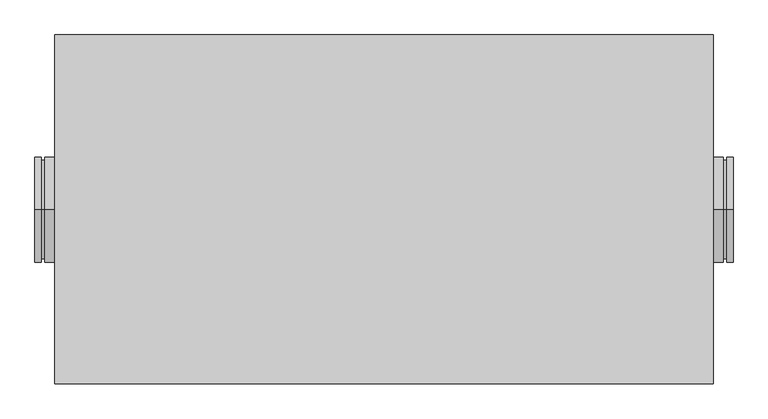
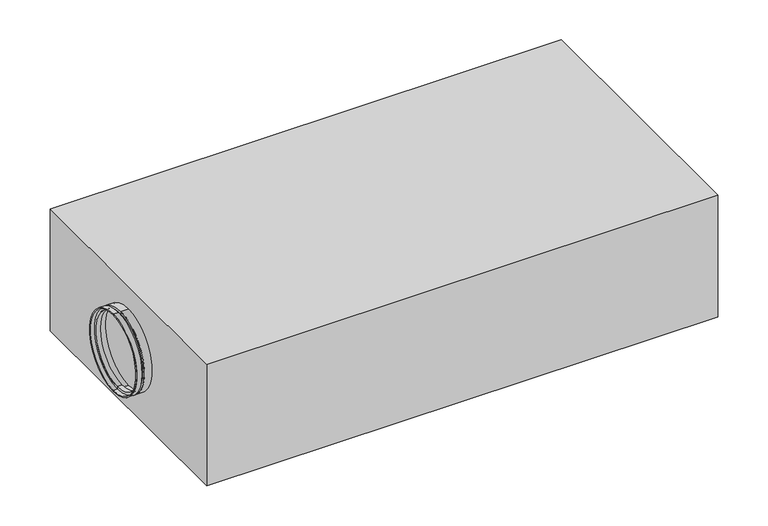
"""IFC4 building model written with IfcOpenShell, lengths in millimetres: proxy geometry."""

from ifc_helpers import new_model, si_unit, frame, origin, origin_with_axes, place, context, project, spatial, polyline, circle_curve, outline, extrude, source, transform, mapped, element, save
from ifc_brep_helpers import plane_surface, cylinder_surface, revolved_surface, advanced_brep


def mechanical_equipment_70ed29d5(model_context):
    return source(origin(), model_context, "Body", "SolidModel", [
        advanced_brep(
        [(-530.0, 0.0, 48.0), (-530.0, 0.0, 204.0), (-530.0, 0.0, 206.0), (-530.0, 0.0, 46.0), (-500.0, 0.0, 46.0), (-500.0, 0.0, 206.0), (-500.0, 0.0, 204.0), (-500.0, 0.0, 48.0), (-515.0, 0.0, 46.0), (-515.0, 0.0, 206.0), (-515.0, 0.0, 51.0), (-515.0, 0.0, 201.0), (-520.0, 0.0, 51.0), (-520.0, 0.0, 201.0), (-520.0, 0.0, 46.0), (-520.0, 0.0, 206.0), (-522.0, 0.0, 48.0), (-522.0, 0.0, 204.0), (-522.0, 0.0, 53.0), (-522.0, 0.0, 199.0), (-513.0, 0.0, 53.0), (-513.0, 0.0, 199.0), (-513.0, 0.0, 48.0), (-513.0, 0.0, 204.0)],
        [
            (0, 1, circle_curve(frame((-530.0, 0.0, 126.0), z_axis=(1.0, 0.0, 0.0), x_axis=(0.0, 0.0, 1.0)), 78.0)),
            (1, 2),
            (2, 3, circle_curve(frame((-530.0, 0.0, 126.0), z_axis=(-1.0, 0.0, 0.0), x_axis=(0.0, 0.0, 1.0)), 80.0)),
            (3, 0),
            (1, 0, circle_curve(frame((-530.0, 0.0, 126.0), z_axis=(1.0, 0.0, 0.0), x_axis=(0.0, 0.0, 1.0)), 78.0)),
            (3, 2, circle_curve(frame((-530.0, 0.0, 126.0), z_axis=(-1.0, 0.0, 0.0), x_axis=(0.0, 0.0, 1.0)), 80.0)),
            (4, 5, circle_curve(frame((-500.0, 0.0, 126.0), z_axis=(1.0, 0.0, 0.0), x_axis=(0.0, 0.0, 1.0)), 80.0)),
            (5, 6),
            (6, 7, circle_curve(frame((-500.0, 0.0, 126.0), z_axis=(-1.0, 0.0, 0.0), x_axis=(0.0, 0.0, 1.0)), 78.0)),
            (7, 4),
            (5, 4, circle_curve(frame((-500.0, 0.0, 126.0), z_axis=(1.0, 0.0, 0.0), x_axis=(0.0, 0.0, 1.0)), 80.0)),
            (7, 6, circle_curve(frame((-500.0, 0.0, 126.0), z_axis=(-1.0, 0.0, 0.0), x_axis=(0.0, 0.0, 1.0)), 78.0)),
            (8, 9, circle_curve(frame((-515.0, 0.0, 126.0), z_axis=(1.0, 0.0, 0.0), x_axis=(0.0, 0.0, 1.0)), 80.0)),
            (9, 5),
            (4, 8),
            (9, 8, circle_curve(frame((-515.0, 0.0, 126.0), z_axis=(1.0, 0.0, 0.0), x_axis=(0.0, 0.0, 1.0)), 80.0)),
            (10, 11, circle_curve(frame((-515.0, 0.0, 126.0), z_axis=(1.0, 0.0, 0.0), x_axis=(0.0, 0.0, 1.0)), 75.0)),
            (11, 9),
            (8, 10),
            (11, 10, circle_curve(frame((-515.0, 0.0, 126.0), z_axis=(1.0, 0.0, 0.0), x_axis=(0.0, 0.0, 1.0)), 75.0)),
            (12, 13, circle_curve(frame((-520.0, 0.0, 126.0), z_axis=(1.0, 0.0, 0.0), x_axis=(0.0, 0.0, 1.0)), 75.0)),
            (13, 11),
            (10, 12),
            (13, 12, circle_curve(frame((-520.0, 0.0, 126.0), z_axis=(1.0, 0.0, 0.0), x_axis=(0.0, 0.0, 1.0)), 75.0)),
            (14, 15, circle_curve(frame((-520.0, 0.0, 126.0), z_axis=(1.0, 0.0, 0.0), x_axis=(0.0, 0.0, 1.0)), 80.0)),
            (15, 13),
            (12, 14),
            (15, 14, circle_curve(frame((-520.0, 0.0, 126.0), z_axis=(1.0, 0.0, 0.0), x_axis=(0.0, 0.0, 1.0)), 80.0)),
            (2, 15),
            (14, 3),
            (16, 17, circle_curve(frame((-522.0, 0.0, 126.0), z_axis=(1.0, 0.0, 0.0), x_axis=(0.0, 0.0, 1.0)), 78.0)),
            (17, 1),
            (0, 16),
            (17, 16, circle_curve(frame((-522.0, 0.0, 126.0), z_axis=(1.0, 0.0, 0.0), x_axis=(0.0, 0.0, 1.0)), 78.0)),
            (18, 19, circle_curve(frame((-522.0, 0.0, 126.0), z_axis=(1.0, 0.0, 0.0), x_axis=(0.0, 0.0, 1.0)), 73.0)),
            (19, 17),
            (16, 18),
            (19, 18, circle_curve(frame((-522.0, 0.0, 126.0), z_axis=(1.0, 0.0, 0.0), x_axis=(0.0, 0.0, 1.0)), 73.0)),
            (20, 21, circle_curve(frame((-513.0, 0.0, 126.0), z_axis=(1.0, 0.0, 0.0), x_axis=(0.0, 0.0, 1.0)), 73.0)),
            (21, 19),
            (18, 20),
            (21, 20, circle_curve(frame((-513.0, 0.0, 126.0), z_axis=(1.0, 0.0, 0.0), x_axis=(0.0, 0.0, 1.0)), 73.0)),
            (22, 23, circle_curve(frame((-513.0, 0.0, 126.0), z_axis=(1.0, 0.0, 0.0), x_axis=(0.0, 0.0, 1.0)), 78.0)),
            (23, 21),
            (20, 22),
            (23, 22, circle_curve(frame((-513.0, 0.0, 126.0), z_axis=(1.0, 0.0, 0.0), x_axis=(0.0, 0.0, 1.0)), 78.0)),
            (6, 23),
            (22, 7),
        ],
        [
            plane_surface(frame((-530.0, 0.0, 126.0), z_axis=(-1.0, 0.0, 0.0), x_axis=(0.0, 0.0, 1.0))),
            plane_surface(frame((-500.0, 0.0, 126.0), z_axis=(1.0, 0.0, 0.0), x_axis=(0.0, 0.0, 1.0))),
            cylinder_surface(frame((-1264.5786453, 0.0, 126.0), z_axis=(-1.0, 0.0, 0.0), x_axis=(0.0, 0.0, 1.0)), 80.0),
            plane_surface(frame((-515.0, 0.0, 126.0), z_axis=(-1.0, 0.0, 0.0), x_axis=(0.0, 0.0, 1.0))),
            cylinder_surface(frame((-1264.5786453, 0.0, 126.0), z_axis=(-1.0, 0.0, 0.0), x_axis=(0.0, 0.0, 1.0)), 75.0),
            plane_surface(frame((-520.0, 0.0, 126.0), z_axis=(1.0, 0.0, 0.0), x_axis=(0.0, 0.0, 1.0))),
            revolved_surface(polyline([(-530.0, 0.0, 204.0), (-522.0, 0.0, 204.0)]), (-1264.5786453, 0.0, 126.0), (-1.0, 0.0, 0.0)),
            plane_surface(frame((-522.0, 0.0, 126.0), z_axis=(-1.0, 0.0, 0.0), x_axis=(0.0, 0.0, 1.0))),
            revolved_surface(polyline([(-522.0, 0.0, 199.0), (-513.0, 0.0, 199.0)]), (-1264.5786453, 0.0, 126.0), (-1.0, 0.0, 0.0)),
            plane_surface(frame((-513.0, 0.0, 126.0), z_axis=(1.0, 0.0, 0.0), x_axis=(0.0, 0.0, 1.0))),
            revolved_surface(polyline([(-513.0, 0.0, 204.0), (-500.0, 0.0, 204.0)]), (-1264.5786453, 0.0, 126.0), (-1.0, 0.0, 0.0)),
        ],
        [
            (0, [[1, 2, 3, 4]]),
            (0, [[5, -4, 6, -2]]),
            (1, [[7, 8, 9, 10]]),
            (1, [[11, -10, 12, -8]]),
            (2, [[13, 14, -7, 15]]),
            (2, [[16, -15, -11, -14]]),
            (3, [[17, 18, -13, 19]]),
            (3, [[20, -19, -16, -18]]),
            (4, [[21, 22, -17, 23]]),
            (4, [[24, -23, -20, -22]]),
            (5, [[25, 26, -21, 27]]),
            (5, [[28, -27, -24, -26]]),
            (2, [[-3, 29, -25, 30]]),
            (2, [[-6, -30, -28, -29]]),
            (6, [[31, 32, -1, 33]]),
            (6, [[34, -33, -5, -32]]),
            (7, [[35, 36, -31, 37]]),
            (7, [[38, -37, -34, -36]]),
            (8, [[39, 40, -35, 41]]),
            (8, [[42, -41, -38, -40]]),
            (9, [[43, 44, -39, 45]]),
            (9, [[46, -45, -42, -44]]),
            (10, [[-9, 47, -43, 48]]),
            (10, [[-12, -48, -46, -47]]),
        ],
    ),
        advanced_brep(
        [(520.0, 0.0, 46.0), (520.0, 0.0, 206.0), (530.0, 0.0, 206.0), (530.0, 0.0, 46.0), (520.0, 0.0, 51.0), (520.0, 0.0, 201.0), (515.0, 0.0, 51.0), (515.0, 0.0, 201.0), (515.0, 0.0, 46.0), (515.0, 0.0, 206.0), (500.0, 0.0, 46.0), (500.0, 0.0, 206.0), (500.0, 0.0, 48.0), (500.0, 0.0, 204.0), (513.0, 0.0, 48.0), (513.0, 0.0, 204.0), (513.0, 0.0, 53.0), (513.0, 0.0, 199.0), (522.0, 0.0, 53.0), (522.0, 0.0, 199.0), (522.0, 0.0, 48.0), (522.0, 0.0, 204.0), (530.0, 0.0, 48.0), (530.0, 0.0, 204.0)],
        [
            (0, 1, circle_curve(frame((520.0, 0.0, 126.0), z_axis=(1.0, 0.0, 0.0), x_axis=(0.0, 0.0, 1.0)), 80.0)),
            (1, 2),
            (2, 3, circle_curve(frame((530.0, 0.0, 126.0), z_axis=(-1.0, 0.0, 0.0), x_axis=(0.0, 0.0, 1.0)), 80.0)),
            (3, 0),
            (1, 0, circle_curve(frame((520.0, 0.0, 126.0), z_axis=(1.0, 0.0, 0.0), x_axis=(0.0, 0.0, 1.0)), 80.0)),
            (3, 2, circle_curve(frame((530.0, 0.0, 126.0), z_axis=(-1.0, 0.0, 0.0), x_axis=(0.0, 0.0, 1.0)), 80.0)),
            (4, 5, circle_curve(frame((520.0, 0.0, 126.0), z_axis=(1.0, 0.0, 0.0), x_axis=(0.0, 0.0, 1.0)), 75.0)),
            (5, 1),
            (0, 4),
            (5, 4, circle_curve(frame((520.0, 0.0, 126.0), z_axis=(1.0, 0.0, 0.0), x_axis=(0.0, 0.0, 1.0)), 75.0)),
            (6, 7, circle_curve(frame((515.0, 0.0, 126.0), z_axis=(1.0, 0.0, 0.0), x_axis=(0.0, 0.0, 1.0)), 75.0)),
            (7, 5),
            (4, 6),
            (7, 6, circle_curve(frame((515.0, 0.0, 126.0), z_axis=(1.0, 0.0, 0.0), x_axis=(0.0, 0.0, 1.0)), 75.0)),
            (8, 9, circle_curve(frame((515.0, 0.0, 126.0), z_axis=(1.0, 0.0, 0.0), x_axis=(0.0, 0.0, 1.0)), 80.0)),
            (9, 7),
            (6, 8),
            (9, 8, circle_curve(frame((515.0, 0.0, 126.0), z_axis=(1.0, 0.0, 0.0), x_axis=(0.0, 0.0, 1.0)), 80.0)),
            (10, 11, circle_curve(frame((500.0, 0.0, 126.0), z_axis=(1.0, 0.0, 0.0), x_axis=(0.0, 0.0, 1.0)), 80.0)),
            (11, 9),
            (8, 10),
            (11, 10, circle_curve(frame((500.0, 0.0, 126.0), z_axis=(1.0, 0.0, 0.0), x_axis=(0.0, 0.0, 1.0)), 80.0)),
            (12, 13, circle_curve(frame((500.0, 0.0, 126.0), z_axis=(1.0, 0.0, 0.0), x_axis=(0.0, 0.0, 1.0)), 78.0)),
            (13, 11),
            (10, 12),
            (13, 12, circle_curve(frame((500.0, 0.0, 126.0), z_axis=(1.0, 0.0, 0.0), x_axis=(0.0, 0.0, 1.0)), 78.0)),
            (14, 15, circle_curve(frame((513.0, 0.0, 126.0), z_axis=(1.0, 0.0, 0.0), x_axis=(0.0, 0.0, 1.0)), 78.0)),
            (15, 13),
            (12, 14),
            (15, 14, circle_curve(frame((513.0, 0.0, 126.0), z_axis=(1.0, 0.0, 0.0), x_axis=(0.0, 0.0, 1.0)), 78.0)),
            (16, 17, circle_curve(frame((513.0, 0.0, 126.0), z_axis=(1.0, 0.0, 0.0), x_axis=(0.0, 0.0, 1.0)), 73.0)),
            (17, 15),
            (14, 16),
            (17, 16, circle_curve(frame((513.0, 0.0, 126.0), z_axis=(1.0, 0.0, 0.0), x_axis=(0.0, 0.0, 1.0)), 73.0)),
            (18, 19, circle_curve(frame((522.0, 0.0, 126.0), z_axis=(1.0, 0.0, 0.0), x_axis=(0.0, 0.0, 1.0)), 73.0)),
            (19, 17),
            (16, 18),
            (19, 18, circle_curve(frame((522.0, 0.0, 126.0), z_axis=(1.0, 0.0, 0.0), x_axis=(0.0, 0.0, 1.0)), 73.0)),
            (20, 21, circle_curve(frame((522.0, 0.0, 126.0), z_axis=(1.0, 0.0, 0.0), x_axis=(0.0, 0.0, 1.0)), 78.0)),
            (21, 19),
            (18, 20),
            (21, 20, circle_curve(frame((522.0, 0.0, 126.0), z_axis=(1.0, 0.0, 0.0), x_axis=(0.0, 0.0, 1.0)), 78.0)),
            (22, 23, circle_curve(frame((530.0, 0.0, 126.0), z_axis=(1.0, 0.0, 0.0), x_axis=(0.0, 0.0, 1.0)), 78.0)),
            (23, 21),
            (20, 22),
            (23, 22, circle_curve(frame((530.0, 0.0, 126.0), z_axis=(1.0, 0.0, 0.0), x_axis=(0.0, 0.0, 1.0)), 78.0)),
            (2, 23),
            (22, 3),
        ],
        [
            cylinder_surface(frame((-1264.5786453, 0.0, 126.0), z_axis=(-1.0, 0.0, 0.0), x_axis=(0.0, 0.0, 1.0)), 80.0),
            plane_surface(frame((520.0, 0.0, 126.0), z_axis=(-1.0, 0.0, 0.0), x_axis=(0.0, 0.0, 1.0))),
            cylinder_surface(frame((-1264.5786453, 0.0, 126.0), z_axis=(-1.0, 0.0, 0.0), x_axis=(0.0, 0.0, 1.0)), 75.0),
            plane_surface(frame((515.0, 0.0, 126.0), z_axis=(1.0, 0.0, 0.0), x_axis=(0.0, 0.0, 1.0))),
            plane_surface(frame((500.0, 0.0, 126.0), z_axis=(-1.0, 0.0, 0.0), x_axis=(0.0, 0.0, 1.0))),
            revolved_surface(polyline([(500.0, 0.0, 204.0), (513.0, 0.0, 204.0)]), (-1264.5786453, 0.0, 126.0), (-1.0, 0.0, 0.0)),
            plane_surface(frame((513.0, 0.0, 126.0), z_axis=(-1.0, 0.0, 0.0), x_axis=(0.0, 0.0, 1.0))),
            revolved_surface(polyline([(513.0, 0.0, 199.0), (522.0, 0.0, 199.0)]), (-1264.5786453, 0.0, 126.0), (-1.0, 0.0, 0.0)),
            plane_surface(frame((522.0, 0.0, 126.0), z_axis=(1.0, 0.0, 0.0), x_axis=(0.0, 0.0, 1.0))),
            revolved_surface(polyline([(522.0, 0.0, 204.0), (530.0, 0.0, 204.0)]), (-1264.5786453, 0.0, 126.0), (-1.0, 0.0, 0.0)),
            plane_surface(frame((530.0, 0.0, 126.0), z_axis=(1.0, 0.0, 0.0), x_axis=(0.0, 0.0, 1.0))),
        ],
        [
            (0, [[1, 2, 3, 4]]),
            (0, [[5, -4, 6, -2]]),
            (1, [[7, 8, -1, 9]]),
            (1, [[10, -9, -5, -8]]),
            (2, [[11, 12, -7, 13]]),
            (2, [[14, -13, -10, -12]]),
            (3, [[15, 16, -11, 17]]),
            (3, [[18, -17, -14, -16]]),
            (0, [[19, 20, -15, 21]]),
            (0, [[22, -21, -18, -20]]),
            (4, [[23, 24, -19, 25]]),
            (4, [[26, -25, -22, -24]]),
            (5, [[27, 28, -23, 29]]),
            (5, [[30, -29, -26, -28]]),
            (6, [[31, 32, -27, 33]]),
            (6, [[34, -33, -30, -32]]),
            (7, [[35, 36, -31, 37]]),
            (7, [[38, -37, -34, -36]]),
            (8, [[39, 40, -35, 41]]),
            (8, [[42, -41, -38, -40]]),
            (9, [[43, 44, -39, 45]]),
            (9, [[46, -45, -42, -44]]),
            (10, [[-3, 47, -43, 48]]),
            (10, [[-6, -48, -46, -47]]),
        ],
    ),
        extrude(outline(polyline([(-500.0, -265.0), (-500.0, 265.0), (500.0, 265.0), (500.0, -265.0), (-500.0, -265.0)])), origin_with_axes(), (0.0, 0.0, 1.0), 252.0),
    ])


if __name__ == "__main__":
    model = new_model("IFC4")
    model_context = context("Model", 3, world=origin())
    ifc_project = project(units=[si_unit("LENGTHUNIT", "METRE", prefix="MILLI")], contexts=[model_context])
    site = spatial("IfcSite", under=ifc_project)
    building = spatial("IfcBuilding", under=site)
    placement = place(None, origin())
    mechanical_equipment_shape = mechanical_equipment_70ed29d5(model_context)
    element("IfcBuildingElementProxy", 1, Name="Mechanical Equipment", at=placement, inside=building, context=model_context, shape_type="MappedRepresentation", body=[
        mapped(mechanical_equipment_shape, transform((0.0, 0.0, 0.0), x_axis=(1.0, 0.0, 0.0), y_axis=(0.0, 1.0, 0.0), z_axis=(0.0, 0.0, 1.0))),
    ])
    save(model, "model.ifc")
